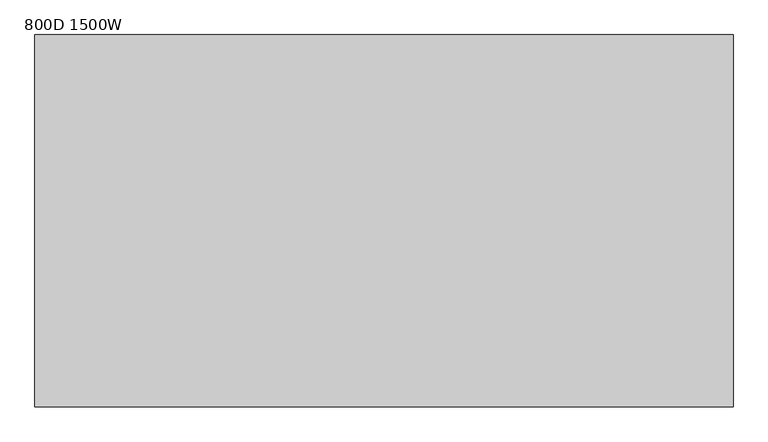
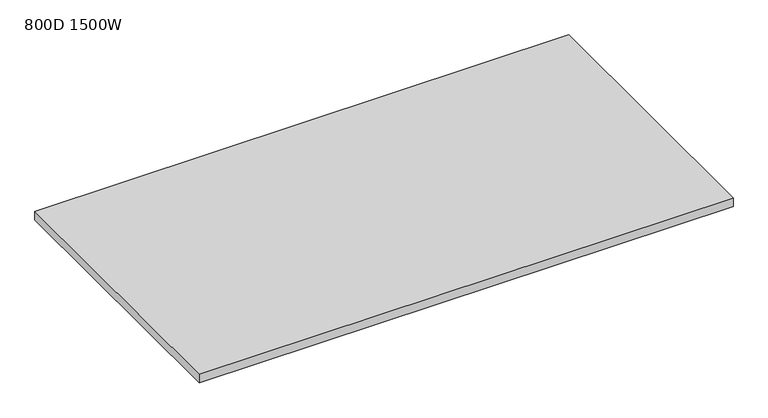
"""IFC4 building model written with IfcOpenShell, lengths in millimetres: furniture geometry, 800D 1500W."""

from ifc_helpers import new_model, si_unit, frame, origin, place, context, project, spatial, polyline, outline, extrude, source, transform, mapped, element, save


def furniture_800d_1500w_e36a931c(model_context):
    return source(origin(), model_context, "Body", "SweptSolid", [
        extrude(outline(polyline([(-750.0, 800.0), (750.0, 800.0), (750.0, 0.0), (-750.0, 0.0), (-750.0, 800.0)])), frame((0.0, 0.0, 715.0), z_axis=(0.0, 0.0, 1.0), x_axis=(1.0, 0.0, 0.0)), (0.0, 0.0, 1.0), 25.0),
    ])


if __name__ == "__main__":
    model = new_model("IFC4")
    model_context = context("Model", 3, world=origin())
    ifc_project = project(units=[si_unit("LENGTHUNIT", "METRE", prefix="MILLI")], contexts=[model_context])
    site = spatial("IfcSite", under=ifc_project)
    building = spatial("IfcBuilding", under=site)
    placement = place(None, origin())
    furniture_800d_1500w_shape = furniture_800d_1500w_e36a931c(model_context)
    element("IfcFurniture", 1, ObjectType="800D 1500W", at=placement, inside=building, context=model_context, shape_type="MappedRepresentation", body=[
        mapped(furniture_800d_1500w_shape, transform((0.0, 0.0, 0.0), x_axis=(1.0, 0.0, 0.0), y_axis=(0.0, 1.0, 0.0), z_axis=(0.0, 0.0, 1.0))),
    ])
    save(model, "model.ifc")
